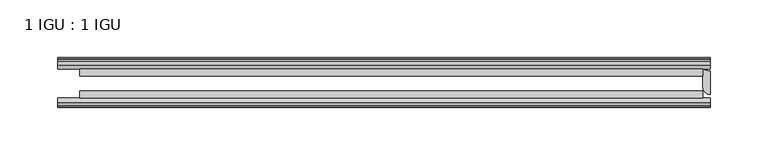
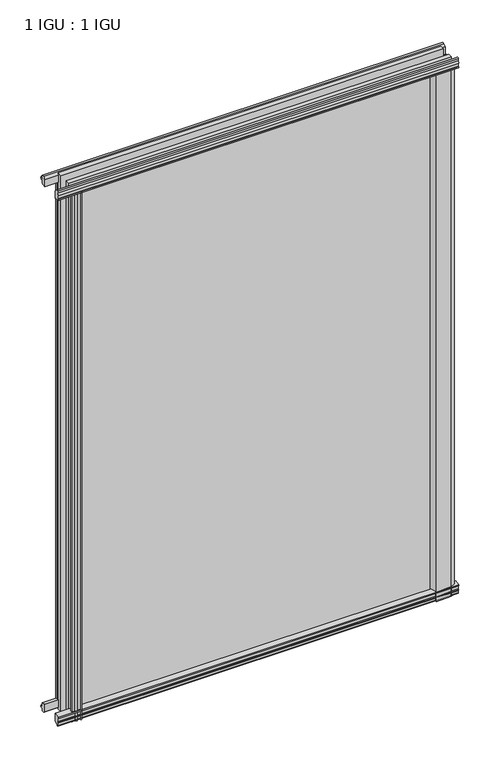
"""IFC4 building model written with IfcOpenShell, lengths in millimetres: plate geometry, 1 IGU : 1 IGU."""

import ifcopenshell
import ifcopenshell.guid

model = None  # the IFC model being written
_history = None  # IfcOwnerHistory: only IFC2X3 demands one
_inside = {}  # id of a spatial element -> (the spatial element, [elements in it])
_under = {}  # id of a project, library or spatial element -> (it, [spatial elements below it])
_declared = {}  # id of a project -> (the project, [libraries it declares])
_typed = {}  # id of a type object -> (the type object, [elements of that type])
_made_of = {}  # id of a material, layer set ... -> (it, [elements and type objects made of it])


def new_model(schema):
    """Start an empty IFC model of exactly this schema.

    Asked for "IFC4X3", IfcOpenShell would pick the latest addendum, in which some entities
    have other attributes; the version numbers below select the first issue.
    IFC2X3 requires an IfcOwnerHistory on every rooted entity: one is made here for all.
    """
    global model, _history
    if schema == "IFC4X3":
        model = ifcopenshell.file(schema_version=(4, 3, 0, 0))
    else:
        model = ifcopenshell.file(schema=schema)
    _inside.clear()
    _under.clear()
    _declared.clear()
    _typed.clear()
    _made_of.clear()
    _history = None
    if model.schema == "IFC2X3":
        org = make("IfcOrganization", Name="unknown")
        user = make(
            "IfcPersonAndOrganization",
            ThePerson=make("IfcPerson", FamilyName="unknown"),
            TheOrganization=org,
        )
        app = make(
            "IfcApplication",
            ApplicationDeveloper=org,
            Version="unknown",
            ApplicationFullName="unknown",
            ApplicationIdentifier="unknown",
        )
        _history = make(
            "IfcOwnerHistory",
            OwningUser=user,
            OwningApplication=app,
            ChangeAction="ADDED",
            CreationDate=0,
        )
    return model


def make(cls, **values):
    """One entity of the class cls with the attributes given. An attribute that is None is left unset."""
    return model.create_entity(
        cls, **{name: value for name, value in values.items() if value is not None}
    )


def rooted(cls, **values):
    """An entity with a GlobalId (a new one), such as an element, a storey or a relation."""
    return make(cls, GlobalId=ifcopenshell.guid.new(), OwnerHistory=_history, **values)


def si_unit(unit_type, name, prefix=None):
    """IfcSIUnit, for example si_unit("LENGTHUNIT", "METRE", prefix="MILLI")."""
    return make("IfcSIUnit", UnitType=unit_type, Prefix=prefix, Name=name)


def assignment(units):
    """IfcUnitAssignment: the units of a project."""
    return None if units is None else make("IfcUnitAssignment", Units=units)


def point(xyz):
    """IfcCartesianPoint."""
    return None if xyz is None else make("IfcCartesianPoint", Coordinates=xyz)


def direction(xyz):
    """IfcDirection."""
    return None if xyz is None else make("IfcDirection", DirectionRatios=xyz)


def frame(location, z_axis=None, x_axis=None):
    """IfcAxis2Placement3D, a coordinate frame: its origin and axes. An axis left out is left unset."""
    return make(
        "IfcAxis2Placement3D",
        Location=point(location),
        Axis=direction(z_axis),
        RefDirection=direction(x_axis),
    )


def frame_2d(location, x_axis=None):
    """IfcAxis2Placement2D, a coordinate frame in the plane: its origin and x axis."""
    return make(
        "IfcAxis2Placement2D", Location=point(location), RefDirection=direction(x_axis)
    )


def origin():
    """The frame at (0, 0, 0) with its axes left unset."""
    return frame((0.0, 0.0, 0.0))


def place(relative_to, where):
    """IfcLocalPlacement: puts the frame where relative to a parent placement (None: the world)."""
    return make(
        "IfcLocalPlacement", PlacementRelTo=relative_to, RelativePlacement=where
    )


def context(
    kind, dimensions, precision=None, world=None, true_north=None, identifier=None
):
    """IfcGeometricRepresentationContext, for example the 3D "Model" context."""
    return make(
        "IfcGeometricRepresentationContext",
        ContextIdentifier=identifier,
        ContextType=kind,
        CoordinateSpaceDimension=dimensions,
        Precision=precision,
        WorldCoordinateSystem=world,
        TrueNorth=true_north,
    )


def project(units=None, contexts=None):
    """IfcProject with its units and contexts."""
    return rooted(
        "IfcProject",
        Name="project",
        RepresentationContexts=contexts,
        UnitsInContext=assignment(units),
    )


def spatial(cls, under=None, at=None, **own):
    """A site, building, storey or space (cls), placed at a placement, below another one or the project."""
    s = rooted(cls, ObjectPlacement=at, **own)
    if under is not None:
        _under.setdefault(under.id(), (under, []))[1].append(s)
    return s


def polyline(points):
    """IfcPolyline through the points."""
    return make("IfcPolyline", Points=[point(p) for p in points])


def circle_curve(where, radius):
    """IfcCircle in the frame where."""
    return make("IfcCircle", Position=where, Radius=radius)


def trimmed(basis, trim1, trim2, sense, master):
    """IfcTrimmedCurve: the piece of a basis curve between two trims."""
    return make(
        "IfcTrimmedCurve",
        BasisCurve=basis,
        Trim1=trim1,
        Trim2=trim2,
        SenseAgreement=sense,
        MasterRepresentation=master,
    )


def segment(curve, same_sense, transition):
    """IfcCompositeCurveSegment."""
    return make(
        "IfcCompositeCurveSegment",
        Transition=transition,
        SameSense=same_sense,
        ParentCurve=curve,
    )


def composite_curve(segments, self_intersect=None):
    """IfcCompositeCurve: segments joined end to end."""
    return make("IfcCompositeCurve", Segments=segments, SelfIntersect=self_intersect)


def outline(outer, holes=None, kind="AREA"):
    """IfcArbitraryClosedProfileDef: a profile drawn as a closed curve; with holes, ...WithVoids."""
    if holes is None:
        return make("IfcArbitraryClosedProfileDef", ProfileType=kind, OuterCurve=outer)
    return make(
        "IfcArbitraryProfileDefWithVoids",
        ProfileType=kind,
        OuterCurve=outer,
        InnerCurves=holes,
    )


def extrude(swept, where, along, depth):
    """IfcExtrudedAreaSolid: the profile swept, set in the frame where, extruded along a direction by depth."""
    return make(
        "IfcExtrudedAreaSolid",
        SweptArea=swept,
        Position=where,
        ExtrudedDirection=direction(along),
        Depth=depth,
    )


def shape(context_of_items, identifier, shape_type, items):
    """IfcShapeRepresentation: the items that make up one representation, for example the "Body"."""
    return make(
        "IfcShapeRepresentation",
        ContextOfItems=context_of_items,
        RepresentationIdentifier=identifier,
        RepresentationType=shape_type,
        Items=items,
    )


def source(mapping_origin, context_of_items, identifier, shape_type, items):
    """IfcRepresentationMap: a shape defined once, which mapped items show again and again."""
    return make(
        "IfcRepresentationMap",
        MappingOrigin=mapping_origin,
        MappedRepresentation=shape(context_of_items, identifier, shape_type, items),
    )


def transform(
    local_origin,
    x_axis=None,
    y_axis=None,
    z_axis=None,
    scale=None,
    scale2=None,
    scale3=None,
    uniform=True,
):
    """IfcCartesianTransformationOperator3D, or its non-uniform kind. x_axis, y_axis, z_axis: its Axis1, 2, 3."""
    if uniform:
        return make(
            "IfcCartesianTransformationOperator3D",
            Axis1=direction(x_axis),
            Axis2=direction(y_axis),
            LocalOrigin=point(local_origin),
            Scale=scale,
            Axis3=direction(z_axis),
        )
    return make(
        "IfcCartesianTransformationOperator3DnonUniform",
        Axis1=direction(x_axis),
        Axis2=direction(y_axis),
        LocalOrigin=point(local_origin),
        Scale=scale,
        Axis3=direction(z_axis),
        Scale2=scale2,
        Scale3=scale3,
    )


def mapped(mapping_source, mapping_target):
    """IfcMappedItem: shows the shape of a source again, moved by a transform."""
    return make(
        "IfcMappedItem", MappingSource=mapping_source, MappingTarget=mapping_target
    )


def made_of(thing, what):
    """Note that an element or type object is made of a material, layer set ...; save() writes the relation."""
    if what is not None:
        _made_of.setdefault(what.id(), (what, []))[1].append(thing)
    return thing


def element(
    cls,
    number,
    at=None,
    inside=None,
    cuts=None,
    type_object=None,
    material=None,
    context=None,
    identifier="Body",
    shape_type=None,
    held_by="IfcProductDefinitionShape",
    body=None,
    shapes=None,
    **own,
):
    """One element of the class cls, such as IfcWall. Its Tag is "e" and its number.

    at: its placement. inside: the storey or other place that contains it. cuts: it is an
    opening in that element (IfcRelVoidsElement). A single representation is given by context,
    identifier, shape_type and body (its items); several are given by shapes. held_by: the class
    of the entity that holds the representations. save() writes the other relations.
    """
    e = rooted(cls, Tag="e%d" % number, ObjectPlacement=at, **own)
    if body is not None:
        shapes = [shape(context, identifier, shape_type, body)]
    if shapes is not None:
        e.Representation = make(held_by, Representations=shapes)
    if inside is not None:
        _inside.setdefault(inside.id(), (inside, []))[1].append(e)
    if cuts is not None:
        rooted(
            "IfcRelVoidsElement", RelatingBuildingElement=cuts, RelatedOpeningElement=e
        )
    if type_object is not None:
        _typed.setdefault(type_object.id(), (type_object, []))[1].append(e)
    return made_of(e, material)


def aggregate(whole, parts):
    """IfcRelAggregates: a whole, such as a stair, and the parts it consists of."""
    return rooted("IfcRelAggregates", RelatingObject=whole, RelatedObjects=parts)


def save(model, path):
    """Write the relations noted so far, then the file.

    IfcRelAggregates (storeys below a building ...), IfcRelContainedInSpatialStructure (elements
    in a storey), IfcRelDefinesByType, IfcRelAssociatesMaterial and IfcRelDeclares: one each for
    every whole, place, type object, material and project.
    """
    for whole, parts in _under.values():
        aggregate(whole, parts)
    for where, things in _inside.values():
        rooted(
            "IfcRelContainedInSpatialStructure",
            RelatedElements=things,
            RelatingStructure=where,
        )
    for kind, things in _typed.values():
        rooted("IfcRelDefinesByType", RelatedObjects=things, RelatingType=kind)
    for what, things in _made_of.values():
        rooted("IfcRelAssociatesMaterial", RelatedObjects=things, RelatingMaterial=what)
    for by, libraries in _declared.values():
        rooted("IfcRelDeclares", RelatingContext=by, RelatedDefinitions=libraries)
    model.write(path)


def plate_1_igu_1_igu_6823e72e(model_context):
    return source(origin(), model_context, "Body", "SweptSolid", [
        extrude(outline(composite_curve([segment(polyline([(-46.2359545, 782.688937), (-46.2359545, 771.6667197), (-53.3197108, 773.0340291)]), True, "CONTINUOUS"), segment(trimmed(circle_curve(frame_2d((-53.1447545, 774.0348519)), 1.016), [point((-53.3197108, 773.0340291))], [point((-53.8888005, 774.7266983))], False, "CARTESIAN"), True, "CONTINUOUS"), segment(polyline([(-53.8888005, 774.7266983), (-52.5859205, 774.5428519), (-52.5859205, 779.9530519), (-54.0652165, 780.2138917), (-52.5859205, 782.7978519), (-52.5859205, 785.9728519)]), True, "CONTINUOUS"), segment(trimmed(circle_curve(frame_2d((-51.3159205, 785.9728519)), 1.27), [point((-52.5859205, 785.9728519))], [point((-50.4178949, 786.8708775))], False, "CARTESIAN"), True, "CONTINUOUS"), segment(polyline([(-50.4178949, 786.8708775), (-46.2359545, 782.688937)]), True, "CONTINUOUS")], self_intersect=False)), frame((-282.5754022, 0.0, 0.0), z_axis=(1.0, 0.0, 0.0), x_axis=(0.0, 1.0, 0.0)), (0.0, 0.0, 1.0), 565.1508044),
        extrude(outline(polyline([(-17.4323375, 787.1253625), (-14.4859375, 787.1253625), (-14.4859375, 782.6803625), (-12.1057405, 782.2993625), (-12.5656738, 783.7148916), (-11.7644596, 783.7148916), (-11.0569375, 781.5373625), (-11.7644596, 779.3598334), (-12.5656738, 779.3598334), (-12.1057405, 780.7753625), (-14.4859375, 780.3943625), (-14.4859375, 775.1873625), (-20.8359545, 773.4696398), (-20.8359545, 784.2910062), (-17.4323375, 787.1253625)])), frame((-282.5754022, 0.0, 0.0), z_axis=(1.0, 0.0, 0.0), x_axis=(0.0, 1.0, 0.0)), (0.0, 0.0, 1.0), 565.1508044),
        extrude(outline(polyline([(-20.8359545, 1.2049602), (-14.4859375, -0.5127625), (-14.4859375, -5.7197625), (-12.1057405, -6.1007625), (-12.5656738, -4.6852334), (-11.7644596, -4.6852334), (-11.0569375, -6.8627625), (-11.7644596, -9.0402916), (-12.5656738, -9.0402916), (-12.1057405, -7.6247625), (-14.4859375, -8.0057625), (-14.4859375, -12.4507625), (-17.4323375, -12.4507625), (-20.8359545, -9.6164062), (-20.8359545, 1.2049602)])), frame((-282.5754022, 0.0, 0.0), z_axis=(1.0, 0.0, 0.0), x_axis=(0.0, 1.0, 0.0)), (0.0, 0.0, 1.0), 565.1508044),
        extrude(outline(composite_curve([segment(polyline([(-53.3197108, 1.6405709), (-46.2359545, 3.0078803), (-46.2359545, -8.014337), (-50.4178949, -12.1962775)]), True, "CONTINUOUS"), segment(trimmed(circle_curve(frame_2d((-51.3159205, -11.2982519)), 1.27), [point((-50.4178949, -12.1962775))], [point((-52.5859205, -11.2982519))], False, "CARTESIAN"), True, "CONTINUOUS"), segment(polyline([(-52.5859205, -11.2982519), (-52.5859205, -8.1232519), (-54.0652165, -5.5392917), (-52.5859205, -5.2784519), (-52.5859205, 0.1317481), (-53.8888005, -0.0520983)]), True, "CONTINUOUS"), segment(trimmed(circle_curve(frame_2d((-53.1447545, 0.6397481)), 1.016), [point((-53.8888005, -0.0520983))], [point((-53.3197108, 1.6405709))], False, "CARTESIAN"), True, "CONTINUOUS")], self_intersect=False)), frame((-282.5754022, 0.0, 0.0), z_axis=(1.0, 0.0, 0.0), x_axis=(0.0, 1.0, 0.0)), (0.0, 0.0, 1.0), 565.1508044),
        extrude(outline(polyline([(-258.4748825, -12.1057405), (-259.8904115, -12.5656738), (-259.8904115, -11.7644596), (-257.7128825, -11.0569375), (-255.5353534, -11.7644596), (-255.5353534, -12.5656738), (-256.9508825, -12.1057405), (-256.5698825, -14.4859375), (-251.3628825, -14.4859375), (-249.6451644, -20.8359375), (-260.4665403, -20.8359375), (-263.3008825, -17.4323375), (-263.3008825, -14.4859375), (-258.8558825, -14.4859375), (-258.4748825, -12.1057405)])), frame((0.0, 0.0, -12.6752823), z_axis=(0.0, 0.0, 1.0), x_axis=(1.0, 0.0, 0.0)), (0.0, 0.0, 1.0), 787.3498823),
        extrude(outline(composite_curve([segment(polyline([(-258.86444, -46.2359375), (-247.8422364, -46.2359375), (-249.2095491, -53.3197108)]), True, "CONTINUOUS"), segment(trimmed(circle_curve(frame_2d((-250.2103719, -53.1447545)), 1.016), [point((-249.2095491, -53.3197108))], [point((-250.9022183, -53.8888005))], False, "CARTESIAN"), True, "CONTINUOUS"), segment(polyline([(-250.9022183, -53.8888005), (-250.7183719, -52.5859205), (-256.1285719, -52.5859205), (-256.3894117, -54.0652165), (-258.9733719, -52.5859205), (-262.1483719, -52.5859205)]), True, "CONTINUOUS"), segment(trimmed(circle_curve(frame_2d((-262.1483719, -51.3159205)), 1.27), [point((-262.1483719, -52.5859205))], [point((-263.0463975, -50.4178949))], False, "CARTESIAN"), True, "CONTINUOUS"), segment(polyline([(-263.0463975, -50.4178949), (-258.86444, -46.2359375)]), True, "CONTINUOUS")], self_intersect=False)), frame((0.0, 0.0, -12.6752823), z_axis=(0.0, 0.0, 1.0), x_axis=(1.0, 0.0, 0.0)), (0.0, 0.0, 1.0), 787.3498823),
        extrude(outline(composite_curve([segment(polyline([(282.5754022, -22.629276), (282.5754022, -43.0609375)]), True, "CONTINUOUS"), segment(trimmed(circle_curve(frame_2d((282.5754022, -36.7109375)), 6.35), [point((282.5754022, -43.0609375))], [point((276.2254022, -36.7109375))], False, "CARTESIAN"), True, "CONTINUOUS"), segment(polyline([(276.2254022, -36.7109375), (276.2254022, -20.8359375)]), True, "CONTINUOUS"), segment(trimmed(circle_curve(frame_2d((282.5754022, -10.4903061)), 12.1389698), [point((276.2254022, -20.8359375))], [point((282.5754022, -22.629276))], True, "CARTESIAN"), True, "CONTINUOUS")], self_intersect=False)), frame((0.0, 0.0, -12.6752823), z_axis=(0.0, 0.0, 1.0), x_axis=(1.0, 0.0, 0.0)), (0.0, 0.0, 1.0), 787.3498823),
        extrude(outline(composite_curve([segment(polyline([(277.9672135, -50.6809375), (272.7114351, -52.904699), (250.8254022, -54.1607375)]), True, "CONTINUOUS"), segment(trimmed(circle_curve(frame_2d((235.8824314, -56.4589223)), 15.118665), [point((250.8254022, -54.1607375))], [point((247.0208609, -46.2359375))], True, "CARTESIAN"), True, "CONTINUOUS"), segment(polyline([(247.0208609, -46.2359375), (273.4648163, -46.2359375), (277.9672135, -48.1409375), (277.9672135, -50.6809375)]), True, "CONTINUOUS")], self_intersect=False)), frame((0.0, 0.0, -12.6752823), z_axis=(0.0, 0.0, 1.0), x_axis=(1.0, 0.0, 0.0)), (0.0, 0.0, 1.0), 787.3498823),
        extrude(outline(polyline([(276.2254022, -20.8359375), (276.2254022, -27.1859375), (-263.5254022, -27.1859375), (-263.5254022, -20.8359375), (276.2254022, -20.8359375)])), frame((0.0, 0.0, -12.6752823), z_axis=(0.0, 0.0, 1.0), x_axis=(1.0, 0.0, 0.0)), (0.0, 0.0, 1.0), 800.0251645),
        extrude(outline(polyline([(-263.5254022, -46.2359375), (-263.5254022, -39.8859375), (276.2254022, -39.8859375), (276.2254022, -46.2359375), (-263.5254022, -46.2359375)])), frame((0.0, 0.0, -12.6752823), z_axis=(0.0, 0.0, 1.0), x_axis=(1.0, 0.0, 0.0)), (0.0, 0.0, 1.0), 800.0251645),
    ])


if __name__ == "__main__":
    model = new_model("IFC4")
    model_context = context("Model", 3, world=origin())
    ifc_project = project(units=[si_unit("LENGTHUNIT", "METRE", prefix="MILLI")], contexts=[model_context])
    site = spatial("IfcSite", under=ifc_project)
    building = spatial("IfcBuilding", under=site)
    placement = place(None, origin())
    plate_1_igu_1_igu_shape = plate_1_igu_1_igu_6823e72e(model_context)
    element("IfcPlate", 1, ObjectType="1 IGU : 1 IGU", at=placement, inside=building, context=model_context, shape_type="MappedRepresentation", body=[
        mapped(plate_1_igu_1_igu_shape, transform((0.0, 0.0, 0.0), x_axis=(1.0, 0.0, 0.0), y_axis=(0.0, 1.0, 0.0), z_axis=(0.0, 0.0, 1.0))),
    ])
    save(model, "model.ifc")
